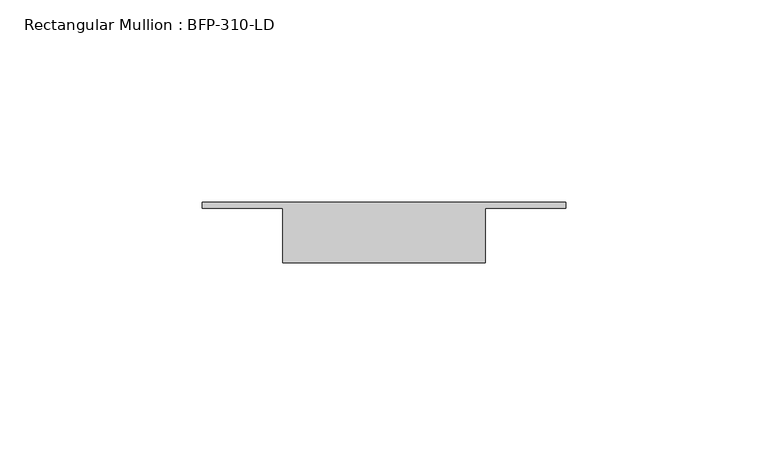
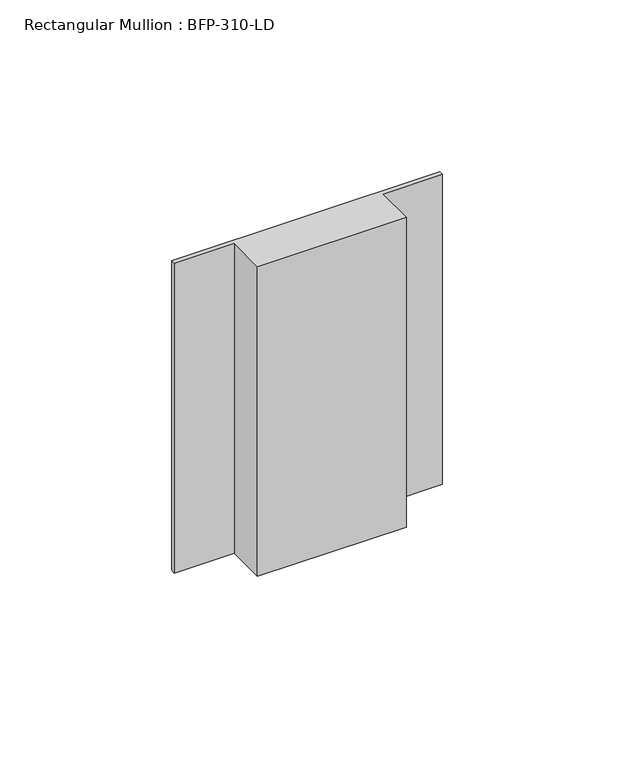
"""IFC4 building model written with IfcOpenShell, lengths in millimetres: member geometry, Rectangular Mullion : BFP-310-LD."""

from ifc_helpers import new_model, si_unit, frame, origin, place, context, project, spatial, polyline, outline, extrude, source, transform, mapped, element, save


def rectangular_mullion_bfp_310_ld_239cf1dc(model_context):
    return source(origin(), model_context, "Body", "SweptSolid", [
        extrude(outline(polyline([(-25.0, -17.0), (-25.0, -3.5), (-45.0, -3.5), (-45.0, -2.0), (45.0, -2.0), (45.0, -3.5), (25.0, -3.5), (25.0, -17.0), (-25.0, -17.0)])), frame((0.0, 0.0, -110.0), z_axis=(0.0, 0.0, 1.0), x_axis=(1.0, 0.0, 0.0)), (0.0, 0.0, 1.0), 110.0),
    ])


if __name__ == "__main__":
    model = new_model("IFC4")
    model_context = context("Model", 3, world=origin())
    ifc_project = project(units=[si_unit("LENGTHUNIT", "METRE", prefix="MILLI")], contexts=[model_context])
    site = spatial("IfcSite", under=ifc_project)
    building = spatial("IfcBuilding", under=site)
    placement = place(None, origin())
    rectangular_mullion_bfp_310_ld_shape = rectangular_mullion_bfp_310_ld_239cf1dc(model_context)
    element("IfcMember", 1, ObjectType="Rectangular Mullion : BFP-310-LD", at=placement, inside=building, context=model_context, shape_type="MappedRepresentation", body=[
        mapped(rectangular_mullion_bfp_310_ld_shape, transform((0.0, 0.0, 0.0), x_axis=(1.0, 0.0, 0.0), y_axis=(0.0, 1.0, 0.0), z_axis=(0.0, 0.0, 1.0))),
    ])
    save(model, "model.ifc")
